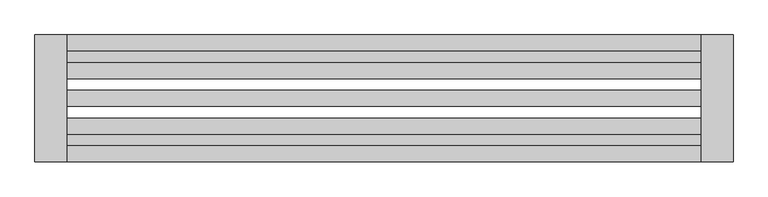
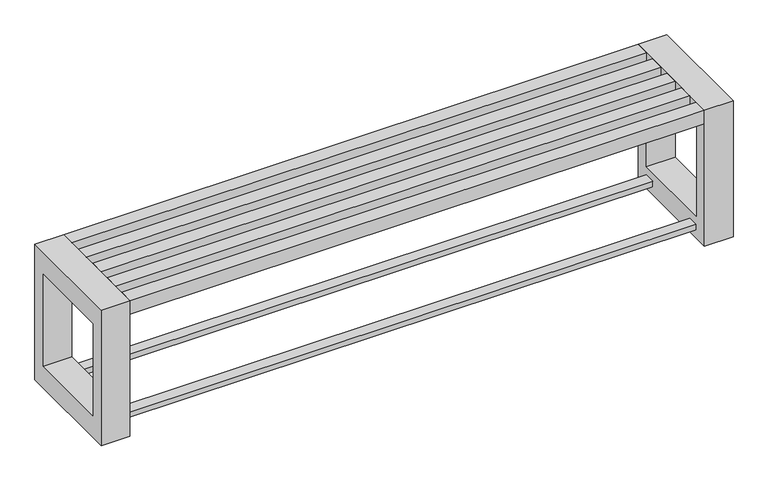
"""IFC4 building model written with IfcOpenShell, lengths in millimetres: furniture geometry."""

from ifc_helpers import new_model, si_unit, frame, origin, place, context, project, spatial, polyline, outline, extrude, source, transform, mapped, element, save


def furniture_f145aad2(model_context):
    return source(origin(), model_context, "Body", "SweptSolid", [
        extrude(outline(polyline([(560.04328, 1136.5928463), (-1439.95672, 1136.5928463), (-1439.95672, 1174.0928463), (560.04328, 1174.0928463), (560.04328, 1136.5928463)])), frame((0.0, 0.0, 30.0), z_axis=(0.0, 0.0, 1.0), x_axis=(1.0, 0.0, 0.0)), (0.0, 0.0, 1.0), 20.0),
        extrude(outline(polyline([(560.04328, 874.0928463), (-1439.95672, 874.0928463), (-1439.95672, 911.5928463), (560.04328, 911.5928463), (560.04328, 874.0928463)])), frame((0.0, 0.0, 30.0), z_axis=(0.0, 0.0, 1.0), x_axis=(1.0, 0.0, 0.0)), (0.0, 0.0, 1.0), 20.0),
        extrude(outline(polyline([(824.0928463, 500.0), (1224.0928463, 500.0), (1224.0928463, 0.0), (824.0928463, 0.0), (824.0928463, 500.0)]), holes=[polyline([(874.0928463, 420.0), (874.0928463, 80.0), (1174.0928463, 80.0), (1174.0928463, 420.0), (874.0928463, 420.0)])]), frame((-1539.95672, 0.0, 0.0), z_axis=(1.0, 0.0, 0.0), x_axis=(0.0, 1.0, 0.0)), (0.0, 0.0, 1.0), 100.0),
        extrude(outline(polyline([(824.0928463, 500.0), (1224.0928463, 500.0), (1224.0928463, 0.0), (824.0928463, 0.0), (824.0928463, 500.0)]), holes=[polyline([(1174.0928463, 420.0), (874.0928463, 420.0), (874.0928463, 80.0), (1174.0928463, 80.0), (1174.0928463, 420.0)])]), frame((560.04328, 0.0, 0.0), z_axis=(1.0, 0.0, 0.0), x_axis=(0.0, 1.0, 0.0)), (0.0, 0.0, 1.0), 100.0),
        extrude(outline(polyline([(-1439.95672, 824.0928463), (-1439.95672, 874.0928463), (560.04328, 874.0928463), (560.04328, 824.0928463), (-1439.95672, 824.0928463)])), frame((0.0, 0.0, 450.0), z_axis=(0.0, 0.0, 1.0), x_axis=(1.0, 0.0, 0.0)), (0.0, 0.0, 1.0), 50.0),
        extrude(outline(polyline([(-1439.95672, 911.5928463), (-1439.95672, 961.5928463), (560.04328, 961.5928463), (560.04328, 911.5928463), (-1439.95672, 911.5928463)])), frame((0.0, 0.0, 450.0), z_axis=(0.0, 0.0, 1.0), x_axis=(1.0, 0.0, 0.0)), (0.0, 0.0, 1.0), 50.0),
        extrude(outline(polyline([(-1439.95672, 999.0928463), (-1439.95672, 1049.0928463), (560.04328, 1049.0928463), (560.04328, 999.0928463), (-1439.95672, 999.0928463)])), frame((0.0, 0.0, 450.0), z_axis=(0.0, 0.0, 1.0), x_axis=(1.0, 0.0, 0.0)), (0.0, 0.0, 1.0), 50.0),
        extrude(outline(polyline([(560.04328, 1136.5928463), (560.04328, 1086.5928463), (-1439.95672, 1086.5928463), (-1439.95672, 1136.5928463), (560.04328, 1136.5928463)])), frame((0.0, 0.0, 450.0), z_axis=(0.0, 0.0, 1.0), x_axis=(1.0, 0.0, 0.0)), (0.0, 0.0, 1.0), 50.0),
        extrude(outline(polyline([(-1439.95672, 1174.0928463), (-1439.95672, 1224.0928463), (560.04328, 1224.0928463), (560.04328, 1174.0928463), (-1439.95672, 1174.0928463)])), frame((0.0, 0.0, 450.0), z_axis=(0.0, 0.0, 1.0), x_axis=(1.0, 0.0, 0.0)), (0.0, 0.0, 1.0), 50.0),
    ])


if __name__ == "__main__":
    model = new_model("IFC4")
    model_context = context("Model", 3, world=origin())
    ifc_project = project(units=[si_unit("LENGTHUNIT", "METRE", prefix="MILLI")], contexts=[model_context])
    site = spatial("IfcSite", under=ifc_project)
    building = spatial("IfcBuilding", under=site)
    placement = place(None, origin())
    furniture_shape = furniture_f145aad2(model_context)
    element("IfcFurniture", 1, at=placement, inside=building, context=model_context, shape_type="MappedRepresentation", body=[
        mapped(furniture_shape, transform((0.0, 0.0, 0.0), x_axis=(1.0, 0.0, 0.0), y_axis=(0.0, 1.0, 0.0), z_axis=(0.0, 0.0, 1.0))),
    ])
    save(model, "model.ifc")
